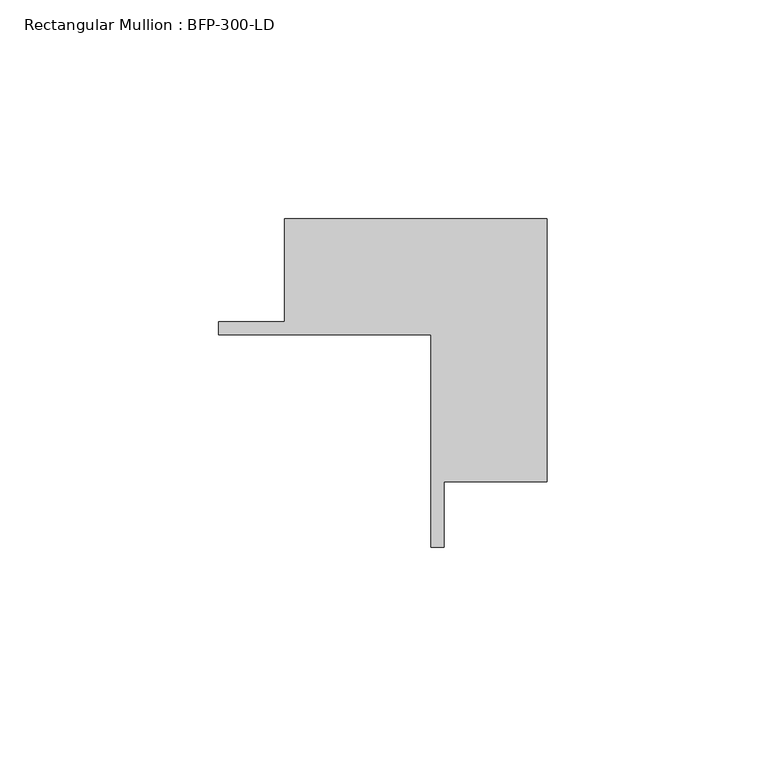
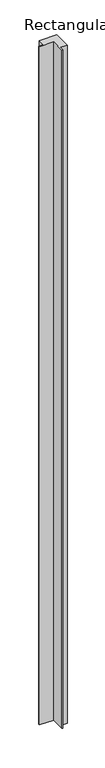
"""IFC4 building model written with IfcOpenShell, lengths in millimetres: member geometry, Rectangular Mullion : BFP-300-LD."""

from ifc_helpers import new_model, si_unit, frame, origin, place, context, project, spatial, polyline, outline, extrude, source, transform, mapped, element, save


def rectangular_mullion_bfp_300_ld_83279075(model_context):
    return source(origin(), model_context, "Body", "SweptSolid", [
        extrude(outline(polyline([(-75.0, 18.5), (-75.0, 21.5), (-60.0, 21.5), (-60.0, 45.0), (0.0, 45.0), (0.0, -15.0), (-23.5, -15.0), (-23.5, -30.0), (-26.5, -30.0), (-26.5, 18.5), (-75.0, 18.5)])), frame((0.0, 0.0, -2440.0), z_axis=(0.0, 0.0, 1.0), x_axis=(1.0, 0.0, 0.0)), (0.0, 0.0, 1.0), 2440.0),
    ])


if __name__ == "__main__":
    model = new_model("IFC4")
    model_context = context("Model", 3, world=origin())
    ifc_project = project(units=[si_unit("LENGTHUNIT", "METRE", prefix="MILLI")], contexts=[model_context])
    site = spatial("IfcSite", under=ifc_project)
    building = spatial("IfcBuilding", under=site)
    placement = place(None, origin())
    rectangular_mullion_bfp_300_ld_shape = rectangular_mullion_bfp_300_ld_83279075(model_context)
    element("IfcMember", 1, ObjectType="Rectangular Mullion : BFP-300-LD", at=placement, inside=building, context=model_context, shape_type="MappedRepresentation", body=[
        mapped(rectangular_mullion_bfp_300_ld_shape, transform((0.0, 0.0, 0.0), x_axis=(1.0, 0.0, 0.0), y_axis=(0.0, 1.0, 0.0), z_axis=(0.0, 0.0, 1.0))),
    ])
    save(model, "model.ifc")
